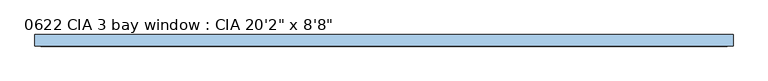
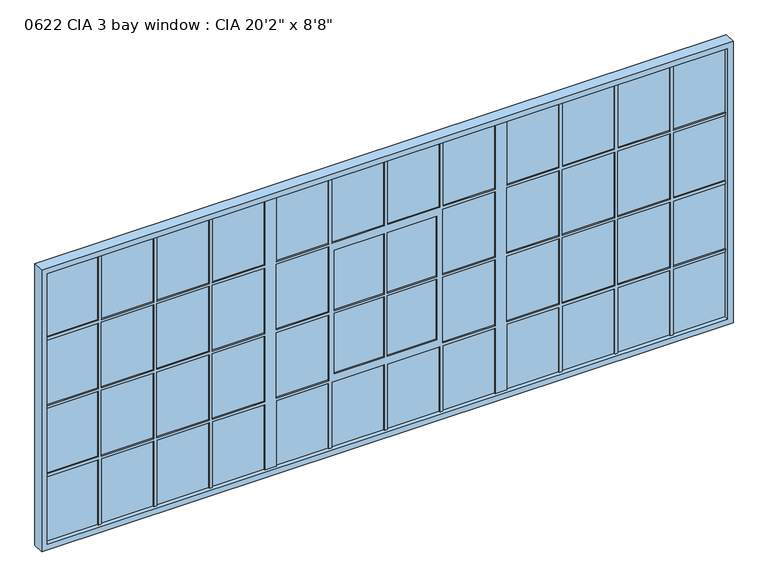
"""IFC4 building model written with IfcOpenShell, lengths in millimetres: window geometry."""

import ifcopenshell
import ifcopenshell.guid

model = None  # the IFC model being written
_history = None  # IfcOwnerHistory: only IFC2X3 demands one
_inside = {}  # id of a spatial element -> (the spatial element, [elements in it])
_under = {}  # id of a project, library or spatial element -> (it, [spatial elements below it])
_declared = {}  # id of a project -> (the project, [libraries it declares])
_typed = {}  # id of a type object -> (the type object, [elements of that type])
_made_of = {}  # id of a material, layer set ... -> (it, [elements and type objects made of it])


def new_model(schema):
    """Start an empty IFC model of exactly this schema.

    Asked for "IFC4X3", IfcOpenShell would pick the latest addendum, in which some entities
    have other attributes; the version numbers below select the first issue.
    IFC2X3 requires an IfcOwnerHistory on every rooted entity: one is made here for all.
    """
    global model, _history
    if schema == "IFC4X3":
        model = ifcopenshell.file(schema_version=(4, 3, 0, 0))
    else:
        model = ifcopenshell.file(schema=schema)
    _inside.clear()
    _under.clear()
    _declared.clear()
    _typed.clear()
    _made_of.clear()
    _history = None
    if model.schema == "IFC2X3":
        org = make("IfcOrganization", Name="unknown")
        user = make(
            "IfcPersonAndOrganization",
            ThePerson=make("IfcPerson", FamilyName="unknown"),
            TheOrganization=org,
        )
        app = make(
            "IfcApplication",
            ApplicationDeveloper=org,
            Version="unknown",
            ApplicationFullName="unknown",
            ApplicationIdentifier="unknown",
        )
        _history = make(
            "IfcOwnerHistory",
            OwningUser=user,
            OwningApplication=app,
            ChangeAction="ADDED",
            CreationDate=0,
        )
    return model


def make(cls, **values):
    """One entity of the class cls with the attributes given. An attribute that is None is left unset."""
    return model.create_entity(
        cls, **{name: value for name, value in values.items() if value is not None}
    )


def rooted(cls, **values):
    """An entity with a GlobalId (a new one), such as an element, a storey or a relation."""
    return make(cls, GlobalId=ifcopenshell.guid.new(), OwnerHistory=_history, **values)


def si_unit(unit_type, name, prefix=None):
    """IfcSIUnit, for example si_unit("LENGTHUNIT", "METRE", prefix="MILLI")."""
    return make("IfcSIUnit", UnitType=unit_type, Prefix=prefix, Name=name)


def assignment(units):
    """IfcUnitAssignment: the units of a project."""
    return None if units is None else make("IfcUnitAssignment", Units=units)


def point(xyz):
    """IfcCartesianPoint."""
    return None if xyz is None else make("IfcCartesianPoint", Coordinates=xyz)


def direction(xyz):
    """IfcDirection."""
    return None if xyz is None else make("IfcDirection", DirectionRatios=xyz)


def frame(location, z_axis=None, x_axis=None):
    """IfcAxis2Placement3D, a coordinate frame: its origin and axes. An axis left out is left unset."""
    return make(
        "IfcAxis2Placement3D",
        Location=point(location),
        Axis=direction(z_axis),
        RefDirection=direction(x_axis),
    )


def origin():
    """The frame at (0, 0, 0) with its axes left unset."""
    return frame((0.0, 0.0, 0.0))


def place(relative_to, where):
    """IfcLocalPlacement: puts the frame where relative to a parent placement (None: the world)."""
    return make(
        "IfcLocalPlacement", PlacementRelTo=relative_to, RelativePlacement=where
    )


def context(
    kind, dimensions, precision=None, world=None, true_north=None, identifier=None
):
    """IfcGeometricRepresentationContext, for example the 3D "Model" context."""
    return make(
        "IfcGeometricRepresentationContext",
        ContextIdentifier=identifier,
        ContextType=kind,
        CoordinateSpaceDimension=dimensions,
        Precision=precision,
        WorldCoordinateSystem=world,
        TrueNorth=true_north,
    )


def project(units=None, contexts=None):
    """IfcProject with its units and contexts."""
    return rooted(
        "IfcProject",
        Name="project",
        RepresentationContexts=contexts,
        UnitsInContext=assignment(units),
    )


def spatial(cls, under=None, at=None, **own):
    """A site, building, storey or space (cls), placed at a placement, below another one or the project."""
    s = rooted(cls, ObjectPlacement=at, **own)
    if under is not None:
        _under.setdefault(under.id(), (under, []))[1].append(s)
    return s


def polyline(points):
    """IfcPolyline through the points."""
    return make("IfcPolyline", Points=[point(p) for p in points])


def outline(outer, holes=None, kind="AREA"):
    """IfcArbitraryClosedProfileDef: a profile drawn as a closed curve; with holes, ...WithVoids."""
    if holes is None:
        return make("IfcArbitraryClosedProfileDef", ProfileType=kind, OuterCurve=outer)
    return make(
        "IfcArbitraryProfileDefWithVoids",
        ProfileType=kind,
        OuterCurve=outer,
        InnerCurves=holes,
    )


def extrude(swept, where, along, depth):
    """IfcExtrudedAreaSolid: the profile swept, set in the frame where, extruded along a direction by depth."""
    return make(
        "IfcExtrudedAreaSolid",
        SweptArea=swept,
        Position=where,
        ExtrudedDirection=direction(along),
        Depth=depth,
    )


def shape(context_of_items, identifier, shape_type, items):
    """IfcShapeRepresentation: the items that make up one representation, for example the "Body"."""
    return make(
        "IfcShapeRepresentation",
        ContextOfItems=context_of_items,
        RepresentationIdentifier=identifier,
        RepresentationType=shape_type,
        Items=items,
    )


def source(mapping_origin, context_of_items, identifier, shape_type, items):
    """IfcRepresentationMap: a shape defined once, which mapped items show again and again."""
    return make(
        "IfcRepresentationMap",
        MappingOrigin=mapping_origin,
        MappedRepresentation=shape(context_of_items, identifier, shape_type, items),
    )


def transform(
    local_origin,
    x_axis=None,
    y_axis=None,
    z_axis=None,
    scale=None,
    scale2=None,
    scale3=None,
    uniform=True,
):
    """IfcCartesianTransformationOperator3D, or its non-uniform kind. x_axis, y_axis, z_axis: its Axis1, 2, 3."""
    if uniform:
        return make(
            "IfcCartesianTransformationOperator3D",
            Axis1=direction(x_axis),
            Axis2=direction(y_axis),
            LocalOrigin=point(local_origin),
            Scale=scale,
            Axis3=direction(z_axis),
        )
    return make(
        "IfcCartesianTransformationOperator3DnonUniform",
        Axis1=direction(x_axis),
        Axis2=direction(y_axis),
        LocalOrigin=point(local_origin),
        Scale=scale,
        Axis3=direction(z_axis),
        Scale2=scale2,
        Scale3=scale3,
    )


def mapped(mapping_source, mapping_target):
    """IfcMappedItem: shows the shape of a source again, moved by a transform."""
    return make(
        "IfcMappedItem", MappingSource=mapping_source, MappingTarget=mapping_target
    )


def made_of(thing, what):
    """Note that an element or type object is made of a material, layer set ...; save() writes the relation."""
    if what is not None:
        _made_of.setdefault(what.id(), (what, []))[1].append(thing)
    return thing


def element(
    cls,
    number,
    at=None,
    inside=None,
    cuts=None,
    type_object=None,
    material=None,
    context=None,
    identifier="Body",
    shape_type=None,
    held_by="IfcProductDefinitionShape",
    body=None,
    shapes=None,
    **own,
):
    """One element of the class cls, such as IfcWall. Its Tag is "e" and its number.

    at: its placement. inside: the storey or other place that contains it. cuts: it is an
    opening in that element (IfcRelVoidsElement). A single representation is given by context,
    identifier, shape_type and body (its items); several are given by shapes. held_by: the class
    of the entity that holds the representations. save() writes the other relations.
    """
    e = rooted(cls, Tag="e%d" % number, ObjectPlacement=at, **own)
    if body is not None:
        shapes = [shape(context, identifier, shape_type, body)]
    if shapes is not None:
        e.Representation = make(held_by, Representations=shapes)
    if inside is not None:
        _inside.setdefault(inside.id(), (inside, []))[1].append(e)
    if cuts is not None:
        rooted(
            "IfcRelVoidsElement", RelatingBuildingElement=cuts, RelatedOpeningElement=e
        )
    if type_object is not None:
        _typed.setdefault(type_object.id(), (type_object, []))[1].append(e)
    return made_of(e, material)


def aggregate(whole, parts):
    """IfcRelAggregates: a whole, such as a stair, and the parts it consists of."""
    return rooted("IfcRelAggregates", RelatingObject=whole, RelatedObjects=parts)


def save(model, path):
    """Write the relations noted so far, then the file.

    IfcRelAggregates (storeys below a building ...), IfcRelContainedInSpatialStructure (elements
    in a storey), IfcRelDefinesByType, IfcRelAssociatesMaterial and IfcRelDeclares: one each for
    every whole, place, type object, material and project.
    """
    for whole, parts in _under.values():
        aggregate(whole, parts)
    for where, things in _inside.values():
        rooted(
            "IfcRelContainedInSpatialStructure",
            RelatedElements=things,
            RelatingStructure=where,
        )
    for kind, things in _typed.values():
        rooted("IfcRelDefinesByType", RelatedObjects=things, RelatingType=kind)
    for what, things in _made_of.values():
        rooted("IfcRelAssociatesMaterial", RelatedObjects=things, RelatingMaterial=what)
    for by, libraries in _declared.values():
        rooted("IfcRelDeclares", RelatingContext=by, RelatedDefinitions=libraries)
    model.write(path)


def window_a3709932(model_context):
    return source(origin(), model_context, "Body", "SweptSolid", [
        extrude(outline(polyline([(6288.0875, 0.0), (242.8875, 0.0), (242.8875, 25.4), (6288.0875, 25.4), (6288.0875, 0.0)])), frame((0.0, 0.0, 787.4), z_axis=(0.0, 0.0, 1.0), x_axis=(1.0, 0.0, 0.0)), (0.0, 0.0, 1.0), 2540.0),
        extrude(outline(polyline([(3378.2, 192.0875), (736.6, 192.0875), (736.6, 6338.8875), (3378.2, 6338.8875), (3378.2, 192.0875)]), holes=[polyline([(3327.4, 242.8875), (3327.4, 6288.0875), (787.4, 6288.0875), (787.4, 242.8875), (3327.4, 242.8875)])]), frame((0.0, -38.1, 0.0), z_axis=(0.0, 1.0, 0.0), x_axis=(0.0, 0.0, 1.0)), (0.0, 0.0, 1.0), 101.6),
        extrude(outline(polyline([(2711.45, 5820.3041667), (3327.4, 5820.3041667), (3327.4, 5794.9041667), (2711.45, 5794.9041667), (2711.45, 5327.1208333), (3327.4, 5327.1208333), (3327.4, 5301.7208333), (2711.45, 5301.7208333), (2711.45, 4833.9375), (3327.4, 4833.9375), (3327.4, 4808.5375), (2711.45, 4808.5375), (2711.45, 4340.7541667), (3327.4, 4340.7541667), (3327.4, 4239.1541667), (2711.45, 4239.1541667), (2711.45, 3771.3708333), (3327.4, 3771.3708333), (3327.4, 3745.9708333), (2711.45, 3745.9708333), (2711.45, 3278.1875), (3327.4, 3278.1875), (3327.4, 3252.7875), (2711.45, 3252.7875), (2711.45, 2785.0041667), (3327.4, 2785.0041667), (3327.4, 2759.6041667), (2711.45, 2759.6041667), (2711.45, 2291.8208333), (3327.4, 2291.8208333), (3327.4, 2190.2208333), (2711.45, 2190.2208333), (2711.45, 1722.4375), (3327.4, 1722.4375), (3327.4, 1697.0375), (2711.45, 1697.0375), (2711.45, 1229.2541667), (3327.4, 1229.2541667), (3327.4, 1203.8541667), (2711.45, 1203.8541667), (2711.45, 736.0708333), (3327.4, 736.0708333), (3327.4, 710.6708333), (2711.45, 710.6708333), (2711.45, 242.8875), (2686.05, 242.8875), (2686.05, 710.6708333), (2070.1, 710.6708333), (2070.1, 242.8875), (2044.7, 242.8875), (2044.7, 710.6708333), (1428.75, 710.6708333), (1428.75, 242.8875), (1403.35, 242.8875), (1403.35, 710.6708333), (787.4, 710.6708333), (787.4, 736.0708333), (1403.35, 736.0708333), (1403.35, 1203.8541667), (787.4, 1203.8541667), (787.4, 1229.2541667), (1403.35, 1229.2541667), (1403.35, 1697.0375), (787.4, 1697.0375), (787.4, 1722.4375), (1403.35, 1722.4375), (1403.35, 2190.2208333), (787.4, 2190.2208333), (787.4, 2291.8208333), (1403.35, 2291.8208333), (1403.35, 2759.6041667), (787.4, 2759.6041667), (787.4, 2785.0041667), (1403.35, 2785.0041667), (1403.35, 3252.7875), (787.4, 3252.7875), (787.4, 3278.1875), (1403.35, 3278.1875), (1403.35, 3745.9708333), (787.4, 3745.9708333), (787.4, 3771.3708333), (1403.35, 3771.3708333), (1403.35, 4239.1541667), (787.4, 4239.1541667), (787.4, 4340.7541667), (1403.35, 4340.7541667), (1403.35, 4808.5375), (787.4, 4808.5375), (787.4, 4833.9375), (1403.35, 4833.9375), (1403.35, 5301.7208333), (787.4, 5301.7208333), (787.4, 5327.1208333), (1403.35, 5327.1208333), (1403.35, 5794.9041667), (787.4, 5794.9041667), (787.4, 5820.3041667), (1403.35, 5820.3041667), (1403.35, 6288.0875), (1428.75, 6288.0875), (1428.75, 5820.3041667), (2044.7, 5820.3041667), (2044.7, 6288.0875), (2070.1, 6288.0875), (2070.1, 5820.3041667), (2686.05, 5820.3041667), (2686.05, 6288.0875), (2711.45, 6288.0875), (2711.45, 5820.3041667)]), holes=[polyline([(2070.1, 4239.1541667), (2070.1, 3771.3708333), (2686.05, 3771.3708333), (2686.05, 4239.1541667), (2070.1, 4239.1541667)]), polyline([(2686.05, 1722.4375), (2686.05, 2190.2208333), (2070.1, 2190.2208333), (2070.1, 1722.4375), (2686.05, 1722.4375)]), polyline([(2686.05, 4340.7541667), (2686.05, 4808.5375), (2070.1, 4808.5375), (2070.1, 4340.7541667), (2686.05, 4340.7541667)]), polyline([(1428.75, 4239.1541667), (1428.75, 3771.3708333), (2044.7, 3771.3708333), (2044.7, 4239.1541667), (1428.75, 4239.1541667)]), polyline([(2686.05, 2291.8208333), (2686.05, 2759.6041667), (2070.1, 2759.6041667), (2070.1, 2291.8208333), (2686.05, 2291.8208333)]), polyline([(2044.7, 1722.4375), (2044.7, 2190.2208333), (1428.75, 2190.2208333), (1428.75, 1722.4375), (2044.7, 1722.4375)]), polyline([(2044.7, 4340.7541667), (2044.7, 4808.5375), (1428.75, 4808.5375), (1428.75, 4340.7541667), (2044.7, 4340.7541667)]), polyline([(2044.7, 2291.8208333), (2044.7, 2759.6041667), (1428.75, 2759.6041667), (1428.75, 2291.8208333), (2044.7, 2291.8208333)]), polyline([(2686.05, 5327.1208333), (2686.05, 5794.9041667), (2070.1, 5794.9041667), (2070.1, 5327.1208333), (2686.05, 5327.1208333)]), polyline([(2686.05, 4833.9375), (2686.05, 5301.7208333), (2070.1, 5301.7208333), (2070.1, 4833.9375), (2686.05, 4833.9375)]), polyline([(2044.7, 4833.9375), (2044.7, 5301.7208333), (1428.75, 5301.7208333), (1428.75, 4833.9375), (2044.7, 4833.9375)]), polyline([(2044.7, 5327.1208333), (2044.7, 5794.9041667), (1428.75, 5794.9041667), (1428.75, 5327.1208333), (2044.7, 5327.1208333)]), polyline([(2638.425, 2810.4041667), (2638.425, 3252.7875), (2070.1, 3252.7875), (2070.1, 2810.4041667), (2638.425, 2810.4041667)]), polyline([(2638.425, 3278.1875), (2638.425, 3720.5708333), (2070.1, 3720.5708333), (2070.1, 3278.1875), (2638.425, 3278.1875)]), polyline([(2044.7, 2810.4041667), (2044.7, 3252.7875), (1476.375, 3252.7875), (1476.375, 2810.4041667), (2044.7, 2810.4041667)]), polyline([(2044.7, 3278.1875), (2044.7, 3720.5708333), (1476.375, 3720.5708333), (1476.375, 3278.1875), (2044.7, 3278.1875)]), polyline([(2686.05, 736.0708333), (2686.05, 1203.8541667), (2070.1, 1203.8541667), (2070.1, 736.0708333), (2686.05, 736.0708333)]), polyline([(2686.05, 1229.2541667), (2686.05, 1697.0375), (2070.1, 1697.0375), (2070.1, 1229.2541667), (2686.05, 1229.2541667)]), polyline([(2044.7, 736.0708333), (2044.7, 1203.8541667), (1428.75, 1203.8541667), (1428.75, 736.0708333), (2044.7, 736.0708333)]), polyline([(2044.7, 1229.2541667), (2044.7, 1697.0375), (1428.75, 1697.0375), (1428.75, 1229.2541667), (2044.7, 1229.2541667)])]), frame((0.0, -12.7, 0.0), z_axis=(0.0, 1.0, 0.0), x_axis=(0.0, 0.0, 1.0)), (0.0, 0.0, 1.0), 50.8),
    ])


if __name__ == "__main__":
    model = new_model("IFC4")
    model_context = context("Model", 3, world=origin())
    ifc_project = project(units=[si_unit("LENGTHUNIT", "METRE", prefix="MILLI")], contexts=[model_context])
    site = spatial("IfcSite", under=ifc_project)
    building = spatial("IfcBuilding", under=site)
    placement = place(None, origin())
    window_shape = window_a3709932(model_context)
    element("IfcWindow", 1, ObjectType="0622 CIA 3 bay window : CIA 20'2\" x 8'8\"", at=placement, inside=building, context=model_context, shape_type="MappedRepresentation", body=[
        mapped(window_shape, transform((0.0, 0.0, 0.0), x_axis=(1.0, 0.0, 0.0), y_axis=(0.0, 1.0, 0.0), z_axis=(0.0, 0.0, 1.0))),
    ])
    save(model, "model.ifc")
